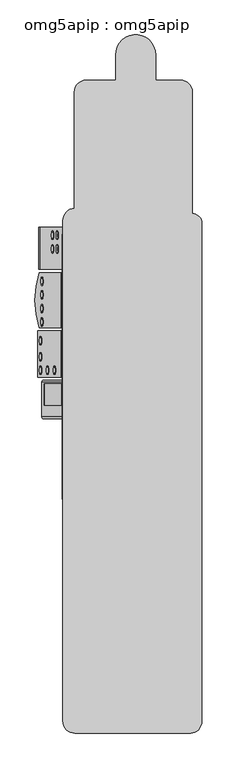
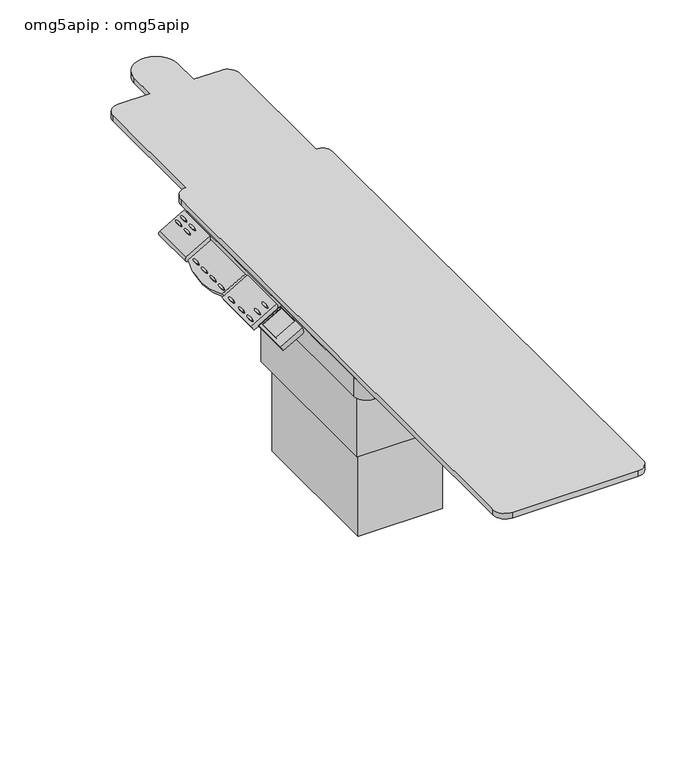
"""IFC4 building model written with IfcOpenShell, lengths in millimetres: proxy geometry, omg5apip : omg5apip."""

from ifc_helpers import new_model, si_unit, point, frame, frame_2d, origin, origin_with_axes, place, context, project, spatial, polyline, circle_curve, ellipse_curve, trimmed, segment, composite_curve, outline, extrude, source, transform, mapped, element, save
from ifc_brep_helpers import plane_surface, cylinder_surface, extruded_surface, advanced_brep


def omg5apip_omg5apip_cb354bf3(model_context):
    return source(origin(), model_context, "Body", "SolidModel", [
        extrude(outline(polyline([(0.0, 0.0), (101.6, 0.0), (101.6, -95.25), (0.0, -95.25), (0.0, 0.0)])), frame((-352.2744423, -534.7659247, 917.2823107), z_axis=(-0.49999999999999983, 0.0, 0.8660254037844388), x_axis=(0.0, -1.0, 0.0)), (0.0, 0.0, 1.0), 3.0568754),
        advanced_brep(
        [(-396.393271, 82.8532639, 900.0386005), (-396.393271, 123.1968635, 900.0386005), (-399.568271, 82.8532639, 905.5378618), (-399.568271, 123.1968635, 905.5378618)],
        [
            (0, 1, ellipse_curve(frame((-396.393271, 103.0250637, 900.0386005), z_axis=(0.4999999999999972, 0.0, -0.8660254037844402), x_axis=(0.0, 1.0, 0.0)), 20.1717998, 4.9609375)),
            (1, 0, ellipse_curve(frame((-396.393271, 103.0250637, 900.0386005), z_axis=(0.4999999999999972, 0.0, -0.8660254037844402), x_axis=(0.0, 1.0, 0.0)), 20.1717998, 4.9609375)),
            (2, 3, ellipse_curve(frame((-399.568271, 103.0250637, 905.5378618), z_axis=(-0.4999999999999972, 0.0, 0.8660254037844402), x_axis=(0.0, 1.0, 0.0)), 20.1717998, 4.9609375)),
            (3, 2, ellipse_curve(frame((-399.568271, 103.0250637, 905.5378618), z_axis=(-0.4999999999999972, 0.0, 0.8660254037844402), x_axis=(0.0, 1.0, 0.0)), 20.1717998, 4.9609375)),
            (0, 2),
            (3, 1),
        ],
        [
            plane_surface(frame((-396.393271, 123.1968635, 900.0386005), z_axis=(0.49999999999999983, 0.0, -0.8660254037844388), x_axis=(0.8660254037844388, 0.0, 0.49999999999999983))),
            plane_surface(frame((-399.568271, 123.1968635, 905.5378618), z_axis=(-0.49999999999999983, 0.0, 0.8660254037844388), x_axis=(-0.8660254037844388, 0.0, -0.49999999999999983))),
            extruded_surface(trimmed(ellipse_curve(frame((-402.743271, 103.0250637, 911.0371231), z_axis=(0.4999999999999972, 0.0, -0.8660254037844402), x_axis=(0.0, 1.0, 0.0)), 20.1717998, 4.9609375), [point((-402.743271, 82.8532639, 911.0371231))], [point((-402.743271, 123.1968635, 911.0371231))], True, "CARTESIAN"), (3.1750000000000114, 0.0, -5.499261300000057), 6.349999987848692),
            extruded_surface(trimmed(ellipse_curve(frame((-402.743271, 103.0250637, 911.0371231), z_axis=(0.4999999999999972, 0.0, -0.8660254037844402), x_axis=(0.0, 1.0, 0.0)), 20.1717998, 4.9609375), [point((-402.743271, 123.1968635, 911.0371231))], [point((-402.743271, 82.8532639, 911.0371231))], True, "CARTESIAN"), (3.1750000000000114, 0.0, -5.499261300000057), 6.349999987848692),
        ],
        [
            (0, [[1, 2]]),
            (1, [[3, 4]]),
            (2, [[-1, 5, -4, 6]]),
            (3, [[-2, -6, -3, -5]]),
        ],
    ),
        advanced_brep(
        [(-374.3962257, 82.8532639, 912.7386005), (-374.3962257, 123.1968635, 912.7386005), (-377.5712257, 82.8532639, 918.2378618), (-377.5712257, 123.1968635, 918.2378618)],
        [
            (0, 1, ellipse_curve(frame((-374.3962257, 103.0250637, 912.7386005), z_axis=(0.4999999999999972, 0.0, -0.8660254037844402), x_axis=(0.0, 1.0, 0.0)), 20.1717998, 4.9609375)),
            (1, 0, ellipse_curve(frame((-374.3962257, 103.0250637, 912.7386005), z_axis=(0.4999999999999972, 0.0, -0.8660254037844402), x_axis=(0.0, 1.0, 0.0)), 20.1717998, 4.9609375)),
            (2, 3, ellipse_curve(frame((-377.5712257, 103.0250637, 918.2378618), z_axis=(-0.4999999999999972, 0.0, 0.8660254037844402), x_axis=(0.0, 1.0, 0.0)), 20.1717998, 4.9609375)),
            (3, 2, ellipse_curve(frame((-377.5712257, 103.0250637, 918.2378618), z_axis=(-0.4999999999999972, 0.0, 0.8660254037844402), x_axis=(0.0, 1.0, 0.0)), 20.1717998, 4.9609375)),
            (0, 2),
            (3, 1),
        ],
        [
            plane_surface(frame((-374.3962257, 123.1968635, 912.7386005), z_axis=(0.49999999999999983, 0.0, -0.8660254037844388), x_axis=(0.8660254037844388, 0.0, 0.49999999999999983))),
            plane_surface(frame((-377.5712257, 123.1968635, 918.2378618), z_axis=(-0.49999999999999983, 0.0, 0.8660254037844388), x_axis=(-0.8660254037844388, 0.0, -0.49999999999999983))),
            extruded_surface(trimmed(ellipse_curve(frame((-380.7462257, 103.0250637, 923.7371231), z_axis=(0.4999999999999972, 0.0, -0.8660254037844402), x_axis=(0.0, 1.0, 0.0)), 20.1717998, 4.9609375), [point((-380.7462257, 82.8532639, 923.7371231))], [point((-380.7462257, 123.1968635, 923.7371231))], True, "CARTESIAN"), (3.1750000000000114, 0.0, -5.499261299999944), 6.3499999878485935),
            extruded_surface(trimmed(ellipse_curve(frame((-380.7462257, 103.0250637, 923.7371231), z_axis=(0.4999999999999972, 0.0, -0.8660254037844402), x_axis=(0.0, 1.0, 0.0)), 20.1717998, 4.9609375), [point((-380.7462257, 123.1968635, 923.7371231))], [point((-380.7462257, 82.8532639, 923.7371231))], True, "CARTESIAN"), (3.1750000000000114, 0.0, -5.499261299999944), 6.3499999878485935),
        ],
        [
            (0, [[1, 2]]),
            (1, [[3, 4]]),
            (2, [[-1, 5, -4, 6]]),
            (3, [[-2, -6, -3, -5]]),
        ],
    ),
        advanced_brep(
        [(-396.393271, 148.2675471, 900.0386005), (-396.393271, 188.6111467, 900.0386005), (-399.568271, 148.2675471, 905.5378618), (-399.568271, 188.6111467, 905.5378618)],
        [
            (0, 1, ellipse_curve(frame((-396.393271, 168.4393469, 900.0386005), z_axis=(0.4999999999999972, 0.0, -0.8660254037844402), x_axis=(0.0, 1.0, 0.0)), 20.1717998, 4.9609375)),
            (1, 0, ellipse_curve(frame((-396.393271, 168.4393469, 900.0386005), z_axis=(0.4999999999999972, 0.0, -0.8660254037844402), x_axis=(0.0, 1.0, 0.0)), 20.1717998, 4.9609375)),
            (2, 3, ellipse_curve(frame((-399.568271, 168.4393469, 905.5378618), z_axis=(-0.4999999999999972, 0.0, 0.8660254037844402), x_axis=(0.0, 1.0, 0.0)), 20.1717998, 4.9609375)),
            (3, 2, ellipse_curve(frame((-399.568271, 168.4393469, 905.5378618), z_axis=(-0.4999999999999972, 0.0, 0.8660254037844402), x_axis=(0.0, 1.0, 0.0)), 20.1717998, 4.9609375)),
            (0, 2),
            (3, 1),
        ],
        [
            plane_surface(frame((-396.393271, 188.6111467, 900.0386005), z_axis=(0.49999999999999983, 0.0, -0.8660254037844388), x_axis=(0.8660254037844388, 0.0, 0.49999999999999983))),
            plane_surface(frame((-399.568271, 188.6111467, 905.5378618), z_axis=(-0.49999999999999983, 0.0, 0.8660254037844388), x_axis=(-0.8660254037844388, 0.0, -0.49999999999999983))),
            extruded_surface(trimmed(ellipse_curve(frame((-402.743271, 168.4393469, 911.0371231), z_axis=(0.4999999999999972, 0.0, -0.8660254037844402), x_axis=(0.0, 1.0, 0.0)), 20.1717998, 4.9609375), [point((-402.743271, 148.2675471, 911.0371231))], [point((-402.743271, 188.6111467, 911.0371231))], True, "CARTESIAN"), (3.1750000000000114, 0.0, -5.499261300000057), 6.349999987848692),
            extruded_surface(trimmed(ellipse_curve(frame((-402.743271, 168.4393469, 911.0371231), z_axis=(0.4999999999999972, 0.0, -0.8660254037844402), x_axis=(0.0, 1.0, 0.0)), 20.1717998, 4.9609375), [point((-402.743271, 188.6111467, 911.0371231))], [point((-402.743271, 148.2675471, 911.0371231))], True, "CARTESIAN"), (3.1750000000000114, 0.0, -5.499261300000057), 6.349999987848692),
        ],
        [
            (0, [[1, 2]]),
            (1, [[3, 4]]),
            (2, [[-1, 5, -4, 6]]),
            (3, [[-2, -6, -3, -5]]),
        ],
    ),
        advanced_brep(
        [(-374.3962257, 148.2675471, 912.7386005), (-374.3962257, 188.6111467, 912.7386005), (-377.5712257, 148.2675471, 918.2378618), (-377.5712257, 188.6111467, 918.2378618)],
        [
            (0, 1, ellipse_curve(frame((-374.3962257, 168.4393469, 912.7386005), z_axis=(0.4999999999999972, 0.0, -0.8660254037844402), x_axis=(0.0, 1.0, 0.0)), 20.1717998, 4.9609375)),
            (1, 0, ellipse_curve(frame((-374.3962257, 168.4393469, 912.7386005), z_axis=(0.4999999999999972, 0.0, -0.8660254037844402), x_axis=(0.0, 1.0, 0.0)), 20.1717998, 4.9609375)),
            (2, 3, ellipse_curve(frame((-377.5712257, 168.4393469, 918.2378618), z_axis=(-0.4999999999999972, 0.0, 0.8660254037844402), x_axis=(0.0, 1.0, 0.0)), 20.1717998, 4.9609375)),
            (3, 2, ellipse_curve(frame((-377.5712257, 168.4393469, 918.2378618), z_axis=(-0.4999999999999972, 0.0, 0.8660254037844402), x_axis=(0.0, 1.0, 0.0)), 20.1717998, 4.9609375)),
            (0, 2),
            (3, 1),
        ],
        [
            plane_surface(frame((-374.3962257, 188.6111467, 912.7386005), z_axis=(0.49999999999999983, 0.0, -0.8660254037844388), x_axis=(0.8660254037844388, 0.0, 0.49999999999999983))),
            plane_surface(frame((-377.5712257, 188.6111467, 918.2378618), z_axis=(-0.49999999999999983, 0.0, 0.8660254037844388), x_axis=(-0.8660254037844388, 0.0, -0.49999999999999983))),
            extruded_surface(trimmed(ellipse_curve(frame((-380.7462257, 168.4393469, 923.7371231), z_axis=(0.4999999999999972, 0.0, -0.8660254037844402), x_axis=(0.0, 1.0, 0.0)), 20.1717998, 4.9609375), [point((-380.7462257, 148.2675471, 923.7371231))], [point((-380.7462257, 188.6111467, 923.7371231))], True, "CARTESIAN"), (3.1750000000000114, 0.0, -5.499261299999944), 6.3499999878485935),
            extruded_surface(trimmed(ellipse_curve(frame((-380.7462257, 168.4393469, 923.7371231), z_axis=(0.4999999999999972, 0.0, -0.8660254037844402), x_axis=(0.0, 1.0, 0.0)), 20.1717998, 4.9609375), [point((-380.7462257, 188.6111467, 923.7371231))], [point((-380.7462257, 148.2675471, 923.7371231))], True, "CARTESIAN"), (3.1750000000000114, 0.0, -5.499261299999944), 6.3499999878485935),
        ],
        [
            (0, [[1, 2]]),
            (1, [[3, 4]]),
            (2, [[-1, 5, -4, 6]]),
            (3, [[-2, -6, -3, -5]]),
        ],
    ),
        advanced_brep(
        [(-449.1444383, -689.7271322, 867.570455), (-449.1444383, -529.3019732, 867.570455), (-438.3701219, -529.3019732, 848.9087916), (-438.3701219, -689.7271322, 848.9087916), (-347.1747651, -689.7271322, 926.4426732), (-336.4004487, -689.7271322, 907.7810098), (-336.4004487, -529.3019732, 907.7810098), (-347.1747651, -529.3019732, 926.4426732), (-437.454996, -534.7659247, 874.3193576), (-354.9660763, -534.7659247, 921.9443576), (-354.9660763, -636.3659247, 921.9443576), (-437.454996, -636.3659247, 874.3193576), (-434.763362, -534.7659247, 869.6573107), (-434.763362, -636.3659247, 869.6573107), (-352.2744423, -636.3659247, 917.2823107), (-352.2744423, -534.7659247, 917.2823107)],
        [
            (0, 1),
            (1, 2, circle_curve(frame((-443.7572801, -529.3019732, 858.2396233), z_axis=(-0.8660254037844388, 0.0, -0.49999999999999983), x_axis=(0.0, -1.0, 0.0)), 10.7743164)),
            (2, 3),
            (3, 0, circle_curve(frame((-443.7572801, -689.7271322, 858.2396233), z_axis=(-0.8660254037844388, 0.0, -0.49999999999999983), x_axis=(0.0, -1.0, 0.0)), 10.7743164)),
            (4, 5, circle_curve(frame((-341.7876069, -689.7271322, 917.1118415), z_axis=(0.8660254037844388, 0.0, 0.49999999999999983), x_axis=(0.0, -1.0, 0.0)), 10.7743164)),
            (5, 6),
            (6, 7, circle_curve(frame((-341.7876069, -529.3019732, 917.1118415), z_axis=(0.8660254037844388, 0.0, 0.49999999999999983), x_axis=(0.0, -1.0, 0.0)), 10.7743164)),
            (7, 4),
            (0, 4),
            (7, 1),
            (8, 9),
            (9, 10),
            (10, 11),
            (11, 8),
            (6, 2),
            (5, 3),
            (12, 13),
            (13, 14),
            (14, 15),
            (15, 12),
            (15, 9),
            (8, 12),
            (14, 10),
            (13, 11),
        ],
        [
            plane_surface(frame((-450.0157658, -689.7271322, 869.0796386), z_axis=(-0.8660254037844388, 0.0, -0.49999999999999983), x_axis=(0.49999999999999983, 0.0, -0.8660254037844388))),
            plane_surface(frame((-348.0460927, -689.7271322, 927.9518569), z_axis=(0.8660254037844388, 0.0, 0.49999999999999983), x_axis=(0.49999999999999983, 0.0, -0.8660254037844388))),
            plane_surface(frame((-449.1444383, -689.7271322, 867.570455), z_axis=(-0.5, 0.0, 0.8660254037844387), x_axis=(0.8660254037844387, 0.0, 0.5))),
            cylinder_surface(frame((-443.7572801, -529.3019732, 858.2396233), z_axis=(-0.8660254037844388, 0.0, -0.49999999999999983), x_axis=(0.0, -1.0, 0.0)), 10.7743164),
            plane_surface(frame((-438.3701219, -529.3019732, 848.9087916), z_axis=(0.5, 0.0, -0.8660254037844387), x_axis=(0.8660254037844387, 0.0, 0.5))),
            cylinder_surface(frame((-443.7572801, -689.7271322, 858.2396233), z_axis=(-0.8660254037844388, 0.0, -0.49999999999999983), x_axis=(0.0, -1.0, 0.0)), 10.7743164),
            plane_surface(frame((-346.775181, -534.7659247, 920.4573107), z_axis=(-0.4999999999999998, 0.0, 0.8660254037844388), x_axis=(0.8660254037844388, 0.0, 0.4999999999999998))),
            plane_surface(frame((-434.763362, -534.7659247, 869.6573107), z_axis=(0.0, -1.0000000000000002, 0.0), x_axis=(-0.49999999999999895, 0.0, 0.8660254037844394))),
            plane_surface(frame((-352.2744423, -534.7659247, 917.2823107), z_axis=(-0.8660254037844394, 0.0, -0.49999999999999895), x_axis=(-0.49999999999999895, 0.0, 0.8660254037844394))),
            plane_surface(frame((-352.2744423, -636.3659247, 917.2823107), z_axis=(0.0, 1.0000000000000002, 0.0), x_axis=(-0.49999999999999895, 0.0, 0.8660254037844394))),
            plane_surface(frame((-434.763362, -636.3659247, 869.6573107), z_axis=(0.8660254037844394, 0.0, 0.49999999999999895), x_axis=(-0.49999999999999895, 0.0, 0.8660254037844394))),
        ],
        [
            (0, [[1, 2, 3, 4]]),
            (1, [[5, 6, 7, 8]]),
            (2, [[-1, 9, -8, 10], [11, 12, 13, 14]]),
            (3, [[-2, -10, -7, 15]]),
            (4, [[-3, -15, -6, 16]]),
            (5, [[-4, -16, -5, -9]]),
            (6, [[17, 18, 19, 20]]),
            (7, [[-20, 21, -11, 22]]),
            (8, [[-19, 23, -12, -21]]),
            (9, [[-18, 24, -13, -23]]),
            (10, [[-17, -22, -14, -24]]),
        ],
    ),
        extrude(outline(polyline([(-292.8538003, -541.1159247), (192.1064379, -541.1159247), (192.1064379, -954.7549015), (-292.8538003, -954.7549015), (-292.8538003, -541.1159247)])), frame((0.0, 0.0, 800.4295168), z_axis=(0.0, 0.0, 1.0), x_axis=(1.0, 0.0, 0.0)), (0.0, 0.0, 1.0), 42.4962556),
        extrude(outline(composite_curve([segment(trimmed(circle_curve(frame_2d((254.231639, 174.7915875)), 53.9824352), [point((254.231639, 228.7740228))], [point((308.2140742, 174.7915875))], False, "CARTESIAN"), True, "CONTINUOUS"), segment(polyline([(308.2140742, 174.7915875), (308.2140742, -1081.7582343)]), True, "CONTINUOUS"), segment(trimmed(circle_curve(frame_2d((255.3384459, -1083.18447)), 52.89486), [point((308.2140742, -1081.7582343))], [point((255.3384459, -1136.07933))], False, "CARTESIAN"), True, "CONTINUOUS"), segment(polyline([(255.3384459, -1136.07933), (-295.6676857, -1136.07933)]), True, "CONTINUOUS"), segment(trimmed(circle_curve(frame_2d((-295.6676857, -1079.4725733)), 56.6067567), [point((-295.6676857, -1136.07933))], [point((-352.2744423, -1079.4725733))], False, "CARTESIAN"), True, "CONTINUOUS"), segment(polyline([(-352.2744423, -1079.4725733), (-352.2744423, 169.3533807)]), True, "CONTINUOUS"), segment(trimmed(circle_curve(frame_2d((-292.8538003, 169.3533807)), 59.420642), [point((-352.2744423, 169.3533807))], [point((-292.8538003, 228.7740228))], False, "CARTESIAN"), True, "CONTINUOUS"), segment(polyline([(-292.8538003, 228.7740228), (254.231639, 228.7740228)]), True, "CONTINUOUS")], self_intersect=False)), frame((0.0, 0.0, 842.9257723), z_axis=(0.0, 0.0, 1.0), x_axis=(1.0, 0.0, 0.0)), (0.0, 0.0, 1.0), 87.0565384),
        extrude(outline(polyline([(-221.7859258, -150.5676219), (192.1064379, -150.5676219), (192.1064379, -882.1254246), (-221.7859258, -882.1254246), (-221.7859258, -150.5676219)])), frame((0.0, 0.0, 393.6417109), z_axis=(0.0, 0.0, 1.0), x_axis=(1.0, 0.0, 0.0)), (0.0, 0.0, 1.0), 406.7878058),
        advanced_brep(
        [(-387.3116616, -450.986892, 905.2818701), (-387.3116616, -491.3304916, 905.2818701), (-390.4866616, -450.986892, 910.7811314), (-390.4866616, -491.3304916, 910.7811314)],
        [
            (0, 1, ellipse_curve(frame((-387.3116616, -471.1586918, 905.2818701), z_axis=(0.4999999999999973, 0.0, -0.8660254037844403), x_axis=(0.0, -1.0, 0.0)), 20.1717998, 4.9609375)),
            (1, 0, ellipse_curve(frame((-387.3116616, -471.1586918, 905.2818701), z_axis=(0.4999999999999973, 0.0, -0.8660254037844403), x_axis=(0.0, -1.0, 0.0)), 20.1717998, 4.9609375)),
            (2, 3, ellipse_curve(frame((-390.4866616, -471.1586918, 910.7811314), z_axis=(-0.4999999999999973, 0.0, 0.8660254037844403), x_axis=(0.0, -1.0, 0.0)), 20.1717998, 4.9609375)),
            (3, 2, ellipse_curve(frame((-390.4866616, -471.1586918, 910.7811314), z_axis=(-0.4999999999999973, 0.0, 0.8660254037844403), x_axis=(0.0, -1.0, 0.0)), 20.1717998, 4.9609375)),
            (1, 3),
            (2, 0),
        ],
        [
            plane_surface(frame((-387.3116616, -491.3304916, 905.2818701), z_axis=(0.4999999999999998, 0.0, -0.8660254037844388), x_axis=(-0.8660254037844388, 0.0, -0.4999999999999998))),
            plane_surface(frame((-390.4866616, -491.3304916, 910.7811314), z_axis=(-0.4999999999999998, 0.0, 0.8660254037844388), x_axis=(0.8660254037844388, 0.0, 0.4999999999999998))),
            extruded_surface(trimmed(ellipse_curve(frame((-393.6616616, -471.1586918, 916.2803927), z_axis=(0.4999999999999973, 0.0, -0.8660254037844403), x_axis=(0.0, -1.0, 0.0)), 20.1717998, 4.9609375), [point((-393.6616616, -491.3304916, 916.2803927))], [point((-393.6616616, -450.986892, 916.2803927))], True, "CARTESIAN"), (3.1750000000000114, 0.0, -5.499261299999944), 6.3499999878485935),
            extruded_surface(trimmed(ellipse_curve(frame((-393.6616616, -471.1586918, 916.2803927), z_axis=(0.4999999999999973, 0.0, -0.8660254037844403), x_axis=(0.0, -1.0, 0.0)), 20.1717998, 4.9609375), [point((-393.6616616, -450.986892, 916.2803927))], [point((-393.6616616, -491.3304916, 916.2803927))], True, "CARTESIAN"), (3.1750000000000114, 0.0, -5.499261299999944), 6.3499999878485935),
        ],
        [
            (0, [[1, 2]]),
            (1, [[3, 4]]),
            (2, [[-2, 5, -3, 6]]),
            (3, [[-1, -6, -4, -5]]),
        ],
    ),
        advanced_brep(
        [(-420.3072295, -450.986892, 886.2318701), (-420.3072295, -491.3304916, 886.2318701), (-423.4822295, -450.986892, 891.7311314), (-423.4822295, -491.3304916, 891.7311314)],
        [
            (0, 1, ellipse_curve(frame((-420.3072295, -471.1586918, 886.2318701), z_axis=(0.4999999999999973, 0.0, -0.8660254037844403), x_axis=(0.0, -1.0, 0.0)), 20.1717998, 4.9609375)),
            (1, 0, ellipse_curve(frame((-420.3072295, -471.1586918, 886.2318701), z_axis=(0.4999999999999973, 0.0, -0.8660254037844403), x_axis=(0.0, -1.0, 0.0)), 20.1717998, 4.9609375)),
            (2, 3, ellipse_curve(frame((-423.4822295, -471.1586918, 891.7311314), z_axis=(-0.4999999999999973, 0.0, 0.8660254037844403), x_axis=(0.0, -1.0, 0.0)), 20.1717998, 4.9609375)),
            (3, 2, ellipse_curve(frame((-423.4822295, -471.1586918, 891.7311314), z_axis=(-0.4999999999999973, 0.0, 0.8660254037844403), x_axis=(0.0, -1.0, 0.0)), 20.1717998, 4.9609375)),
            (1, 3),
            (2, 0),
        ],
        [
            plane_surface(frame((-420.3072295, -491.3304916, 886.2318701), z_axis=(0.4999999999999998, 0.0, -0.8660254037844388), x_axis=(-0.8660254037844388, 0.0, -0.4999999999999998))),
            plane_surface(frame((-423.4822295, -491.3304916, 891.7311314), z_axis=(-0.4999999999999998, 0.0, 0.8660254037844388), x_axis=(0.8660254037844388, 0.0, 0.4999999999999998))),
            extruded_surface(trimmed(ellipse_curve(frame((-426.6572295, -471.1586918, 897.2303927), z_axis=(0.4999999999999973, 0.0, -0.8660254037844403), x_axis=(0.0, -1.0, 0.0)), 20.1717998, 4.9609375), [point((-426.6572295, -491.3304916, 897.2303927))], [point((-426.6572295, -450.986892, 897.2303927))], True, "CARTESIAN"), (3.1750000000000114, 0.0, -5.499261300000057), 6.349999987848692),
            extruded_surface(trimmed(ellipse_curve(frame((-426.6572295, -471.1586918, 897.2303927), z_axis=(0.4999999999999973, 0.0, -0.8660254037844403), x_axis=(0.0, -1.0, 0.0)), 20.1717998, 4.9609375), [point((-426.6572295, -450.986892, 897.2303927))], [point((-426.6572295, -491.3304916, 897.2303927))], True, "CARTESIAN"), (3.1750000000000114, 0.0, -5.499261300000057), 6.349999987848692),
        ],
        [
            (0, [[1, 2]]),
            (1, [[3, 4]]),
            (2, [[-2, 5, -3, 6]]),
            (3, [[-1, -6, -4, -5]]),
        ],
    ),
        advanced_brep(
        [(-453.3027974, -450.986892, 867.1818701), (-453.3027974, -491.3304916, 867.1818701), (-456.4777974, -450.986892, 872.6811314), (-456.4777974, -491.3304916, 872.6811314)],
        [
            (0, 1, ellipse_curve(frame((-453.3027974, -471.1586918, 867.1818701), z_axis=(0.4999999999999973, 0.0, -0.8660254037844403), x_axis=(0.0, -1.0, 0.0)), 20.1717998, 4.9609375)),
            (1, 0, ellipse_curve(frame((-453.3027974, -471.1586918, 867.1818701), z_axis=(0.4999999999999973, 0.0, -0.8660254037844403), x_axis=(0.0, -1.0, 0.0)), 20.1717998, 4.9609375)),
            (2, 3, ellipse_curve(frame((-456.4777974, -471.1586918, 872.6811314), z_axis=(-0.4999999999999973, 0.0, 0.8660254037844403), x_axis=(0.0, -1.0, 0.0)), 20.1717998, 4.9609375)),
            (3, 2, ellipse_curve(frame((-456.4777974, -471.1586918, 872.6811314), z_axis=(-0.4999999999999973, 0.0, 0.8660254037844403), x_axis=(0.0, -1.0, 0.0)), 20.1717998, 4.9609375)),
            (1, 3),
            (2, 0),
        ],
        [
            plane_surface(frame((-453.3027974, -491.3304916, 867.1818701), z_axis=(0.4999999999999998, 0.0, -0.8660254037844388), x_axis=(-0.8660254037844388, 0.0, -0.4999999999999998))),
            plane_surface(frame((-456.4777974, -491.3304916, 872.6811314), z_axis=(-0.4999999999999998, 0.0, 0.8660254037844388), x_axis=(0.8660254037844388, 0.0, 0.4999999999999998))),
            extruded_surface(trimmed(ellipse_curve(frame((-459.6527974, -471.1586918, 878.1803927), z_axis=(0.4999999999999973, 0.0, -0.8660254037844403), x_axis=(0.0, -1.0, 0.0)), 20.1717998, 4.9609375), [point((-459.6527974, -491.3304916, 878.1803927))], [point((-459.6527974, -450.986892, 878.1803927))], True, "CARTESIAN"), (3.1750000000000114, 0.0, -5.499261299999944), 6.3499999878485935),
            extruded_surface(trimmed(ellipse_curve(frame((-459.6527974, -471.1586918, 878.1803927), z_axis=(0.4999999999999973, 0.0, -0.8660254037844403), x_axis=(0.0, -1.0, 0.0)), 20.1717998, 4.9609375), [point((-459.6527974, -450.986892, 878.1803927))], [point((-459.6527974, -491.3304916, 878.1803927))], True, "CARTESIAN"), (3.1750000000000114, 0.0, -5.499261299999944), 6.3499999878485935),
        ],
        [
            (0, [[1, 2]]),
            (1, [[3, 4]]),
            (2, [[-2, 5, -3, 6]]),
            (3, [[-1, -6, -4, -5]]),
        ],
    ),
        advanced_brep(
        [(-453.3027974, -387.486892, 867.1818701), (-453.3027974, -427.8304916, 867.1818701), (-456.4777974, -387.486892, 872.6811314), (-456.4777974, -427.8304916, 872.6811314)],
        [
            (0, 1, ellipse_curve(frame((-453.3027974, -407.6586918, 867.1818701), z_axis=(0.4999999999999973, 0.0, -0.8660254037844403), x_axis=(0.0, -1.0, 0.0)), 20.1717998, 4.9609375)),
            (1, 0, ellipse_curve(frame((-453.3027974, -407.6586918, 867.1818701), z_axis=(0.4999999999999973, 0.0, -0.8660254037844403), x_axis=(0.0, -1.0, 0.0)), 20.1717998, 4.9609375)),
            (2, 3, ellipse_curve(frame((-456.4777974, -407.6586918, 872.6811314), z_axis=(-0.4999999999999973, 0.0, 0.8660254037844403), x_axis=(0.0, -1.0, 0.0)), 20.1717998, 4.9609375)),
            (3, 2, ellipse_curve(frame((-456.4777974, -407.6586918, 872.6811314), z_axis=(-0.4999999999999973, 0.0, 0.8660254037844403), x_axis=(0.0, -1.0, 0.0)), 20.1717998, 4.9609375)),
            (1, 3),
            (2, 0),
        ],
        [
            plane_surface(frame((-453.3027974, -427.8304916, 867.1818701), z_axis=(0.4999999999999998, 0.0, -0.8660254037844388), x_axis=(-0.8660254037844388, 0.0, -0.4999999999999998))),
            plane_surface(frame((-456.4777974, -427.8304916, 872.6811314), z_axis=(-0.4999999999999998, 0.0, 0.8660254037844388), x_axis=(0.8660254037844388, 0.0, 0.4999999999999998))),
            extruded_surface(trimmed(ellipse_curve(frame((-459.6527974, -407.6586918, 878.1803927), z_axis=(0.4999999999999973, 0.0, -0.8660254037844403), x_axis=(0.0, -1.0, 0.0)), 20.1717998, 4.9609375), [point((-459.6527974, -427.8304916, 878.1803927))], [point((-459.6527974, -387.486892, 878.1803927))], True, "CARTESIAN"), (3.1750000000000114, 0.0, -5.499261299999944), 6.3499999878485935),
            extruded_surface(trimmed(ellipse_curve(frame((-459.6527974, -407.6586918, 878.1803927), z_axis=(0.4999999999999973, 0.0, -0.8660254037844403), x_axis=(0.0, -1.0, 0.0)), 20.1717998, 4.9609375), [point((-459.6527974, -387.486892, 878.1803927))], [point((-459.6527974, -427.8304916, 878.1803927))], True, "CARTESIAN"), (3.1750000000000114, 0.0, -5.499261299999944), 6.3499999878485935),
        ],
        [
            (0, [[1, 2]]),
            (1, [[3, 4]]),
            (2, [[-2, 5, -3, 6]]),
            (3, [[-1, -6, -4, -5]]),
        ],
    ),
        advanced_brep(
        [(-453.3027974, -311.286892, 867.1818701), (-453.3027974, -351.6304916, 867.1818701), (-456.4777974, -311.286892, 872.6811314), (-456.4777974, -351.6304916, 872.6811314)],
        [
            (0, 1, ellipse_curve(frame((-453.3027974, -331.4586918, 867.1818701), z_axis=(0.4999999999999973, 0.0, -0.8660254037844403), x_axis=(0.0, -1.0, 0.0)), 20.1717998, 4.9609375)),
            (1, 0, ellipse_curve(frame((-453.3027974, -331.4586918, 867.1818701), z_axis=(0.4999999999999973, 0.0, -0.8660254037844403), x_axis=(0.0, -1.0, 0.0)), 20.1717998, 4.9609375)),
            (2, 3, ellipse_curve(frame((-456.4777974, -331.4586918, 872.6811314), z_axis=(-0.4999999999999973, 0.0, 0.8660254037844403), x_axis=(0.0, -1.0, 0.0)), 20.1717998, 4.9609375)),
            (3, 2, ellipse_curve(frame((-456.4777974, -331.4586918, 872.6811314), z_axis=(-0.4999999999999973, 0.0, 0.8660254037844403), x_axis=(0.0, -1.0, 0.0)), 20.1717998, 4.9609375)),
            (1, 3),
            (2, 0),
        ],
        [
            plane_surface(frame((-453.3027974, -351.6304916, 867.1818701), z_axis=(0.4999999999999998, 0.0, -0.8660254037844388), x_axis=(-0.8660254037844388, 0.0, -0.4999999999999998))),
            plane_surface(frame((-456.4777974, -351.6304916, 872.6811314), z_axis=(-0.4999999999999998, 0.0, 0.8660254037844388), x_axis=(0.8660254037844388, 0.0, 0.4999999999999998))),
            extruded_surface(trimmed(ellipse_curve(frame((-459.6527974, -331.4586918, 878.1803927), z_axis=(0.4999999999999973, 0.0, -0.8660254037844403), x_axis=(0.0, -1.0, 0.0)), 20.1717998, 4.9609375), [point((-459.6527974, -351.6304916, 878.1803927))], [point((-459.6527974, -311.286892, 878.1803927))], True, "CARTESIAN"), (3.1750000000000114, 0.0, -5.499261299999944), 6.3499999878485935),
            extruded_surface(trimmed(ellipse_curve(frame((-459.6527974, -331.4586918, 878.1803927), z_axis=(0.4999999999999973, 0.0, -0.8660254037844403), x_axis=(0.0, -1.0, 0.0)), 20.1717998, 4.9609375), [point((-459.6527974, -311.286892, 878.1803927))], [point((-459.6527974, -351.6304916, 878.1803927))], True, "CARTESIAN"), (3.1750000000000114, 0.0, -5.499261299999944), 6.3499999878485935),
        ],
        [
            (0, [[1, 2]]),
            (1, [[3, 4]]),
            (2, [[-2, 5, -3, 6]]),
            (3, [[-1, -6, -4, -5]]),
        ],
    ),
        advanced_brep(
        [(-446.5927066, -159.2251833, 871.0559428), (-446.5927066, -199.568783, 871.0559428), (-449.7677066, -159.2251833, 876.5552041), (-449.7677066, -199.568783, 876.5552041)],
        [
            (0, 1, ellipse_curve(frame((-446.5927066, -179.3969832, 871.0559428), z_axis=(0.4999999999999973, 0.0, -0.8660254037844403), x_axis=(0.0, -1.0, 0.0)), 20.1717998, 4.9609375)),
            (1, 0, ellipse_curve(frame((-446.5927066, -179.3969832, 871.0559428), z_axis=(0.4999999999999973, 0.0, -0.8660254037844403), x_axis=(0.0, -1.0, 0.0)), 20.1717998, 4.9609375)),
            (2, 3, ellipse_curve(frame((-449.7677066, -179.3969832, 876.5552041), z_axis=(-0.4999999999999973, 0.0, 0.8660254037844403), x_axis=(0.0, -1.0, 0.0)), 20.1717998, 4.9609375)),
            (3, 2, ellipse_curve(frame((-449.7677066, -179.3969832, 876.5552041), z_axis=(-0.4999999999999973, 0.0, 0.8660254037844403), x_axis=(0.0, -1.0, 0.0)), 20.1717998, 4.9609375)),
            (1, 3),
            (2, 0),
        ],
        [
            plane_surface(frame((-446.5927066, -199.568783, 871.0559428), z_axis=(0.4999999999999998, 0.0, -0.8660254037844388), x_axis=(-0.8660254037844388, 0.0, -0.4999999999999998))),
            plane_surface(frame((-449.7677066, -199.568783, 876.5552041), z_axis=(-0.4999999999999998, 0.0, 0.8660254037844388), x_axis=(0.8660254037844388, 0.0, 0.4999999999999998))),
            extruded_surface(trimmed(ellipse_curve(frame((-452.9427066, -179.3969832, 882.0544654), z_axis=(0.4999999999999973, 0.0, -0.8660254037844403), x_axis=(0.0, -1.0, 0.0)), 20.1717998, 4.9609375), [point((-452.9427066, -199.568783, 882.0544654))], [point((-452.9427066, -159.2251833, 882.0544654))], True, "CARTESIAN"), (3.1750000000000114, 0.0, -5.499261300000057), 6.349999987848692),
            extruded_surface(trimmed(ellipse_curve(frame((-452.9427066, -179.3969832, 882.0544654), z_axis=(0.4999999999999973, 0.0, -0.8660254037844403), x_axis=(0.0, -1.0, 0.0)), 20.1717998, 4.9609375), [point((-452.9427066, -159.2251833, 882.0544654))], [point((-452.9427066, -199.568783, 882.0544654))], True, "CARTESIAN"), (3.1750000000000114, 0.0, -5.499261300000057), 6.349999987848692),
        ],
        [
            (0, [[1, 2]]),
            (1, [[3, 4]]),
            (2, [[-2, 5, -3, 6]]),
            (3, [[-1, -6, -4, -5]]),
        ],
    ),
        advanced_brep(
        [(-446.5927066, -222.7251833, 871.0559428), (-446.5927066, -263.068783, 871.0559428), (-449.7677066, -222.7251833, 876.5552041), (-449.7677066, -263.068783, 876.5552041)],
        [
            (0, 1, ellipse_curve(frame((-446.5927066, -242.8969832, 871.0559428), z_axis=(0.4999999999999973, 0.0, -0.8660254037844403), x_axis=(0.0, -1.0, 0.0)), 20.1717998, 4.9609375)),
            (1, 0, ellipse_curve(frame((-446.5927066, -242.8969832, 871.0559428), z_axis=(0.4999999999999973, 0.0, -0.8660254037844403), x_axis=(0.0, -1.0, 0.0)), 20.1717998, 4.9609375)),
            (2, 3, ellipse_curve(frame((-449.7677066, -242.8969832, 876.5552041), z_axis=(-0.4999999999999973, 0.0, 0.8660254037844403), x_axis=(0.0, -1.0, 0.0)), 20.1717998, 4.9609375)),
            (3, 2, ellipse_curve(frame((-449.7677066, -242.8969832, 876.5552041), z_axis=(-0.4999999999999973, 0.0, 0.8660254037844403), x_axis=(0.0, -1.0, 0.0)), 20.1717998, 4.9609375)),
            (1, 3),
            (2, 0),
        ],
        [
            plane_surface(frame((-446.5927066, -263.068783, 871.0559428), z_axis=(0.4999999999999998, 0.0, -0.8660254037844388), x_axis=(-0.8660254037844388, 0.0, -0.4999999999999998))),
            plane_surface(frame((-449.7677066, -263.068783, 876.5552041), z_axis=(-0.4999999999999998, 0.0, 0.8660254037844388), x_axis=(0.8660254037844388, 0.0, 0.4999999999999998))),
            extruded_surface(trimmed(ellipse_curve(frame((-452.9427066, -242.8969832, 882.0544654), z_axis=(0.4999999999999973, 0.0, -0.8660254037844403), x_axis=(0.0, -1.0, 0.0)), 20.1717998, 4.9609375), [point((-452.9427066, -263.068783, 882.0544654))], [point((-452.9427066, -222.7251833, 882.0544654))], True, "CARTESIAN"), (3.1750000000000114, 0.0, -5.499261300000057), 6.349999987848692),
            extruded_surface(trimmed(ellipse_curve(frame((-452.9427066, -242.8969832, 882.0544654), z_axis=(0.4999999999999973, 0.0, -0.8660254037844403), x_axis=(0.0, -1.0, 0.0)), 20.1717998, 4.9609375), [point((-452.9427066, -222.7251833, 882.0544654))], [point((-452.9427066, -263.068783, 882.0544654))], True, "CARTESIAN"), (3.1750000000000114, 0.0, -5.499261300000057), 6.349999987848692),
        ],
        [
            (0, [[1, 2]]),
            (1, [[3, 4]]),
            (2, [[-2, 5, -3, 6]]),
            (3, [[-1, -6, -4, -5]]),
        ],
    ),
        advanced_brep(
        [(-446.5927066, -134.0290391, 871.0559428), (-446.5927066, -93.6854395, 871.0559428), (-449.7677066, -134.0290391, 876.5552041), (-449.7677066, -93.6854395, 876.5552041)],
        [
            (0, 1, ellipse_curve(frame((-446.5927066, -113.8572393, 871.0559428), z_axis=(0.4999999999999972, 0.0, -0.8660254037844402), x_axis=(0.0, 1.0, 0.0)), 20.1717998, 4.9609375)),
            (1, 0, ellipse_curve(frame((-446.5927066, -113.8572393, 871.0559428), z_axis=(0.4999999999999972, 0.0, -0.8660254037844402), x_axis=(0.0, 1.0, 0.0)), 20.1717998, 4.9609375)),
            (2, 3, ellipse_curve(frame((-449.7677066, -113.8572393, 876.5552041), z_axis=(-0.4999999999999972, 0.0, 0.8660254037844402), x_axis=(0.0, 1.0, 0.0)), 20.1717998, 4.9609375)),
            (3, 2, ellipse_curve(frame((-449.7677066, -113.8572393, 876.5552041), z_axis=(-0.4999999999999972, 0.0, 0.8660254037844402), x_axis=(0.0, 1.0, 0.0)), 20.1717998, 4.9609375)),
            (0, 2),
            (3, 1),
        ],
        [
            plane_surface(frame((-446.5927066, -93.6854395, 871.0559428), z_axis=(0.49999999999999983, 0.0, -0.8660254037844388), x_axis=(0.8660254037844388, 0.0, 0.49999999999999983))),
            plane_surface(frame((-449.7677066, -93.6854395, 876.5552041), z_axis=(-0.49999999999999983, 0.0, 0.8660254037844388), x_axis=(-0.8660254037844388, 0.0, -0.49999999999999983))),
            extruded_surface(trimmed(ellipse_curve(frame((-452.9427066, -113.8572393, 882.0544654), z_axis=(0.4999999999999972, 0.0, -0.8660254037844402), x_axis=(0.0, 1.0, 0.0)), 20.1717998, 4.9609375), [point((-452.9427066, -134.0290391, 882.0544654))], [point((-452.9427066, -93.6854395, 882.0544654))], True, "CARTESIAN"), (3.1750000000000114, 0.0, -5.499261300000057), 6.349999987848692),
            extruded_surface(trimmed(ellipse_curve(frame((-452.9427066, -113.8572393, 882.0544654), z_axis=(0.4999999999999972, 0.0, -0.8660254037844402), x_axis=(0.0, 1.0, 0.0)), 20.1717998, 4.9609375), [point((-452.9427066, -93.6854395, 882.0544654))], [point((-452.9427066, -134.0290391, 882.0544654))], True, "CARTESIAN"), (3.1750000000000114, 0.0, -5.499261300000057), 6.349999987848692),
        ],
        [
            (0, [[1, 2]]),
            (1, [[3, 4]]),
            (2, [[-1, 5, -4, 6]]),
            (3, [[-2, -6, -3, -5]]),
        ],
    ),
        advanced_brep(
        [(-446.5927066, -70.5290391, 871.0559428), (-446.5927066, -30.1854395, 871.0559428), (-449.7677066, -70.5290391, 876.5552041), (-449.7677066, -30.1854395, 876.5552041)],
        [
            (0, 1, ellipse_curve(frame((-446.5927066, -50.3572393, 871.0559428), z_axis=(0.4999999999999972, 0.0, -0.8660254037844402), x_axis=(0.0, 1.0, 0.0)), 20.1717998, 4.9609375)),
            (1, 0, ellipse_curve(frame((-446.5927066, -50.3572393, 871.0559428), z_axis=(0.4999999999999972, 0.0, -0.8660254037844402), x_axis=(0.0, 1.0, 0.0)), 20.1717998, 4.9609375)),
            (2, 3, ellipse_curve(frame((-449.7677066, -50.3572393, 876.5552041), z_axis=(-0.4999999999999972, 0.0, 0.8660254037844402), x_axis=(0.0, 1.0, 0.0)), 20.1717998, 4.9609375)),
            (3, 2, ellipse_curve(frame((-449.7677066, -50.3572393, 876.5552041), z_axis=(-0.4999999999999972, 0.0, 0.8660254037844402), x_axis=(0.0, 1.0, 0.0)), 20.1717998, 4.9609375)),
            (0, 2),
            (3, 1),
        ],
        [
            plane_surface(frame((-446.5927066, -30.1854395, 871.0559428), z_axis=(0.49999999999999983, 0.0, -0.8660254037844388), x_axis=(0.8660254037844388, 0.0, 0.49999999999999983))),
            plane_surface(frame((-449.7677066, -30.1854395, 876.5552041), z_axis=(-0.49999999999999983, 0.0, 0.8660254037844388), x_axis=(-0.8660254037844388, 0.0, -0.49999999999999983))),
            extruded_surface(trimmed(ellipse_curve(frame((-452.9427066, -50.3572393, 882.0544654), z_axis=(0.4999999999999972, 0.0, -0.8660254037844402), x_axis=(0.0, 1.0, 0.0)), 20.1717998, 4.9609375), [point((-452.9427066, -70.5290391, 882.0544654))], [point((-452.9427066, -30.1854395, 882.0544654))], True, "CARTESIAN"), (3.1750000000000114, 0.0, -5.499261300000057), 6.349999987848692),
            extruded_surface(trimmed(ellipse_curve(frame((-452.9427066, -50.3572393, 882.0544654), z_axis=(0.4999999999999972, 0.0, -0.8660254037844402), x_axis=(0.0, 1.0, 0.0)), 20.1717998, 4.9609375), [point((-452.9427066, -30.1854395, 882.0544654))], [point((-452.9427066, -70.5290391, 882.0544654))], True, "CARTESIAN"), (3.1750000000000114, 0.0, -5.499261300000057), 6.349999987848692),
        ],
        [
            (0, [[1, 2]]),
            (1, [[3, 4]]),
            (2, [[-1, 5, -4, 6]]),
            (3, [[-2, -6, -3, -5]]),
        ],
    ),
        extrude(outline(composite_curve([segment(trimmed(circle_curve(frame_2d((854.5449861, -451.8992346)), 11.645644), [point((864.6304096, -457.7220566))], [point((844.4595625, -446.0764126))], False, "CARTESIAN"), True, "CONTINUOUS"), segment(polyline([(844.4595625, -446.0764126), (898.6161553, -352.2744423), (925.5106181, -352.2744423), (864.6304096, -457.7220566)]), True, "CONTINUOUS")], self_intersect=False)), frame((0.0, 8.0737579, 0.0), z_axis=(0.0, 1.0, 0.0), x_axis=(0.0, 0.0, 1.0)), (0.0, 0.0, 1.0), 199.0410011),
        extrude(outline(composite_curve([segment(polyline([(260.0, 0.0), (260.0, -116.1245404)]), True, "CONTINUOUS"), segment(trimmed(circle_curve(frame_2d((129.633848, 213.7598038)), 354.7097604), [point((260.0, -116.1245404))], [point((0.0, -116.4129989))], False, "CARTESIAN"), True, "CONTINUOUS"), segment(polyline([(0.0, -116.4129989), (0.0, 0.0), (260.0, 0.0)]), True, "CONTINUOUS")], self_intersect=False)), frame((-348.3608277, -10.4977104, 900.8756817), z_axis=(-0.4999999999999841, 0.0, 0.8660254037844478), x_axis=(0.0, -1.0, 0.0)), (0.0, 0.0, 1.0), 23.291288),
        extrude(outline(polyline([(0.0, -128.9784104), (0.0, 0.0), (220.674979, 0.0), (220.674979, -128.9784104), (0.0, -128.9784104)])), frame((-345.665113, -284.7271322, 902.4320534), z_axis=(-0.49999999999999967, 0.0, 0.8660254037844388), x_axis=(0.0, -1.0, 0.0)), (0.0, 0.0, 1.0), 23.291288),
        extrude(outline(polyline([(-199.8012651, -196.2348049), (170.1987349, -196.2348049), (170.1987349, -850.5676219), (-199.8012651, -850.5676219), (-199.8012651, -196.2348049)])), origin_with_axes(), (0.0, 0.0, 1.0), 393.6417109),
        extrude(outline(composite_curve([segment(trimmed(circle_curve(frame_2d((-5.0, 1022.5)), 95.0), [point((-100.0, 1022.5))], [point((90.0, 1022.5))], False, "CARTESIAN"), True, "CONTINUOUS"), segment(polyline([(90.0, 1022.5), (90.0, 902.5), (208.3649418, 902.5)]), True, "CONTINUOUS"), segment(trimmed(circle_curve(frame_2d((208.3649418, 847.6508676)), 54.8491324), [point((208.3649418, 902.5))], [point((263.2140742, 847.6508676))], False, "CARTESIAN"), True, "CONTINUOUS"), segment(polyline([(263.2140742, 847.6508676), (263.2140742, 269.1891994)]), True, "CONTINUOUS"), segment(trimmed(circle_curve(frame_2d((265.8592332, 226.9170374)), 42.3548409), [point((263.2140742, 269.1891994))], [point((308.2140742, 226.9170374))], False, "CARTESIAN"), True, "CONTINUOUS"), segment(polyline([(308.2140742, 226.9170374), (308.2140742, -2135.5789042)]), True, "CONTINUOUS"), segment(trimmed(circle_curve(frame_2d((255.3384459, -2137.00514)), 52.89486), [point((308.2140742, -2135.5789042))], [point((255.3384459, -2189.9))], False, "CARTESIAN"), True, "CONTINUOUS"), segment(polyline([(255.3384459, -2189.9), (-292.6116191, -2189.9)]), True, "CONTINUOUS"), segment(trimmed(circle_curve(frame_2d((-292.6116191, -2133.2932433)), 56.6067567), [point((-292.6116191, -2189.9))], [point((-349.2183758, -2133.2932433))], False, "CARTESIAN"), True, "CONTINUOUS"), segment(polyline([(-349.2183758, -2133.2932433), (-349.2183758, 236.7201437)]), True, "CONTINUOUS"), segment(trimmed(circle_curve(frame_2d((-289.7977338, 236.7201437)), 59.420642), [point((-349.2183758, 236.7201437))], [point((-295.0, 295.912619))], False, "CARTESIAN"), True, "CONTINUOUS"), segment(polyline([(-295.0, 295.912619), (-295.0, 847.5)]), True, "CONTINUOUS"), segment(trimmed(circle_curve(frame_2d((-240.0, 847.5)), 55.0), [point((-295.0, 847.5))], [point((-240.0, 902.5))], False, "CARTESIAN"), True, "CONTINUOUS"), segment(polyline([(-240.0, 902.5), (-100.0, 902.5), (-100.0, 1022.5)]), True, "CONTINUOUS")], self_intersect=False)), frame((0.0, 0.0, 929.9823107), z_axis=(0.0, 0.0, 1.0), x_axis=(1.0, 0.0, 0.0)), (0.0, 0.0, 1.0), 25.0255018),
    ])


if __name__ == "__main__":
    model = new_model("IFC4")
    model_context = context("Model", 3, world=origin())
    ifc_project = project(units=[si_unit("LENGTHUNIT", "METRE", prefix="MILLI")], contexts=[model_context])
    site = spatial("IfcSite", under=ifc_project)
    building = spatial("IfcBuilding", under=site)
    placement = place(None, origin())
    omg5apip_omg5apip_shape = omg5apip_omg5apip_cb354bf3(model_context)
    element("IfcBuildingElementProxy", 1, Name="omg5apip : omg5apip", ObjectType="omg5apip : omg5apip", at=placement, inside=building, context=model_context, shape_type="MappedRepresentation", body=[
        mapped(omg5apip_omg5apip_shape, transform((0.0, 0.0, 0.0), x_axis=(1.0, 0.0, 0.0), y_axis=(0.0, 1.0, 0.0), z_axis=(0.0, 0.0, 1.0))),
    ])
    save(model, "model.ifc")
